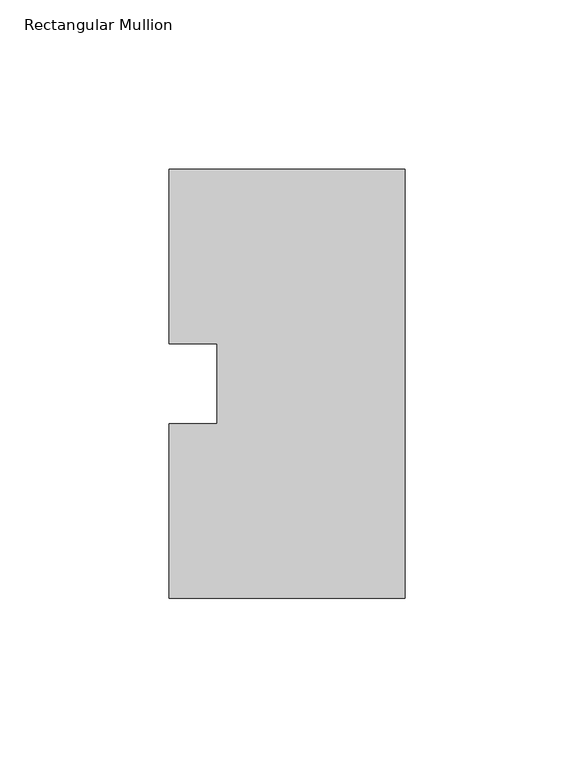
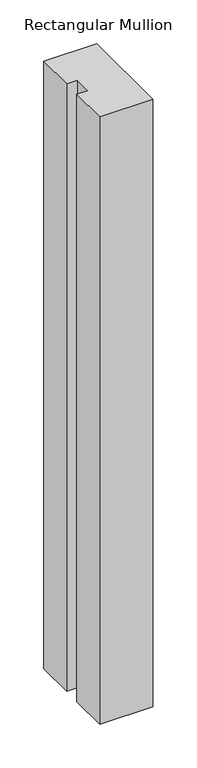
"""IFC4 building model written with IfcOpenShell, lengths in millimetres: member geometry, Rectangular Mullion."""

from ifc_helpers import new_model, si_unit, frame, origin, place, context, project, spatial, polyline, outline, extrude, source, transform, mapped, element, save


def rectangular_mullion_476c14dd(model_context):
    return source(origin(), model_context, "Body", "SweptSolid", [
        extrude(outline(polyline([(0.0, 127.00635), (0.0, 0.00635), (-69.85, 0.00635), (-69.85, 51.60645), (-55.5625, 51.60645), (-55.5625, 75.40625), (-69.85, 75.40625), (-69.85, 127.00635), (0.0, 127.00635)])), frame((0.0, 0.0, -844.55), z_axis=(0.0, 0.0, 1.0), x_axis=(1.0, 0.0, 0.0)), (0.0, 0.0, 1.0), 844.55),
    ])


if __name__ == "__main__":
    model = new_model("IFC4")
    model_context = context("Model", 3, world=origin())
    ifc_project = project(units=[si_unit("LENGTHUNIT", "METRE", prefix="MILLI")], contexts=[model_context])
    site = spatial("IfcSite", under=ifc_project)
    building = spatial("IfcBuilding", under=site)
    placement = place(None, origin())
    rectangular_mullion_shape = rectangular_mullion_476c14dd(model_context)
    element("IfcMember", 1, ObjectType="Rectangular Mullion", at=placement, inside=building, context=model_context, shape_type="MappedRepresentation", body=[
        mapped(rectangular_mullion_shape, transform((0.0, 0.0, 0.0), x_axis=(1.0, 0.0, 0.0), y_axis=(0.0, 1.0, 0.0), z_axis=(0.0, 0.0, 1.0))),
    ])
    save(model, "model.ifc")
